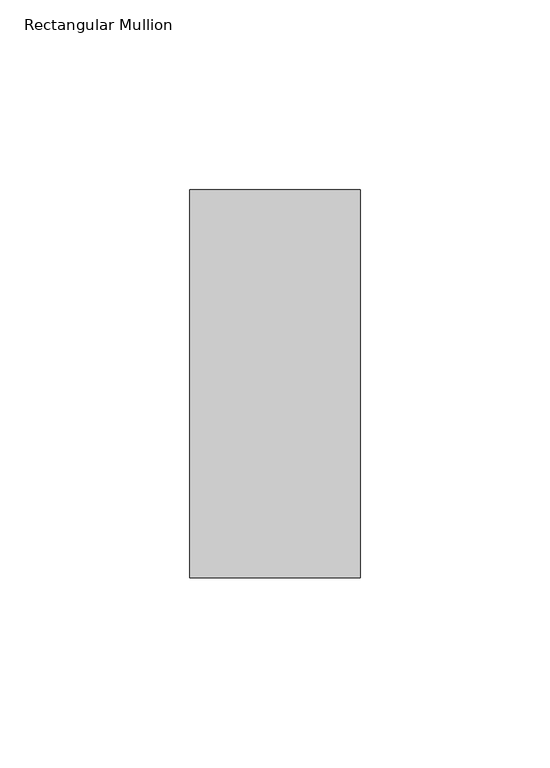
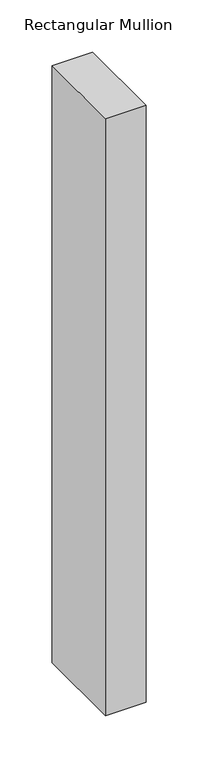
"""IFC4 building model written with IfcOpenShell, lengths in millimetres: member geometry, Rectangular Mullion."""

from ifc_helpers import new_model, si_unit, frame, origin, place, context, project, spatial, polyline, outline, extrude, source, transform, mapped, element, save


def rectangular_mullion_254ff3c5(model_context):
    return source(origin(), model_context, "Body", "SweptSolid", [
        extrude(outline(polyline([(22.5, 66.73125), (22.5, -35.73125), (-22.5, -35.73125), (-22.5, 66.73125), (22.5, 66.73125)])), frame((0.0, 0.0, -699.1158203), z_axis=(0.0, 0.0, 1.0), x_axis=(1.0, 0.0, 0.0)), (0.0, 0.0, 1.0), 699.1158203),
    ])


if __name__ == "__main__":
    model = new_model("IFC4")
    model_context = context("Model", 3, world=origin())
    ifc_project = project(units=[si_unit("LENGTHUNIT", "METRE", prefix="MILLI")], contexts=[model_context])
    site = spatial("IfcSite", under=ifc_project)
    building = spatial("IfcBuilding", under=site)
    placement = place(None, origin())
    rectangular_mullion_shape = rectangular_mullion_254ff3c5(model_context)
    element("IfcMember", 1, ObjectType="Rectangular Mullion", at=placement, inside=building, context=model_context, shape_type="MappedRepresentation", body=[
        mapped(rectangular_mullion_shape, transform((0.0, 0.0, 0.0), x_axis=(1.0, 0.0, 0.0), y_axis=(0.0, 1.0, 0.0), z_axis=(0.0, 0.0, 1.0))),
    ])
    save(model, "model.ifc")
